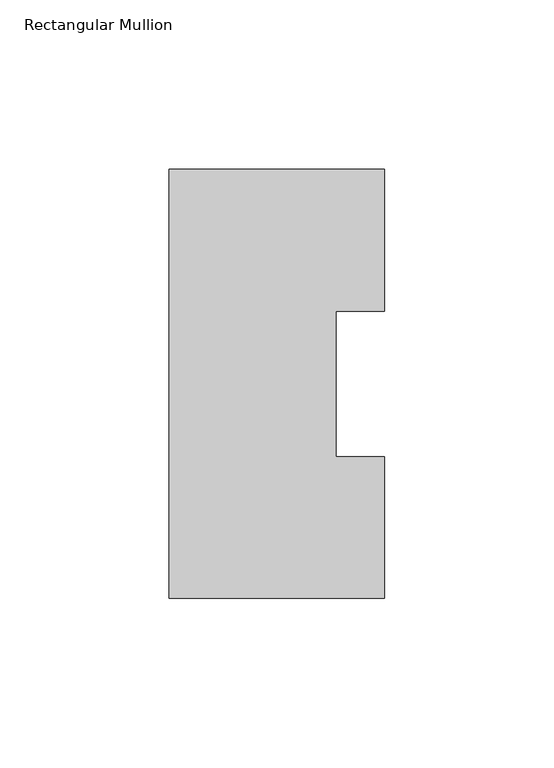
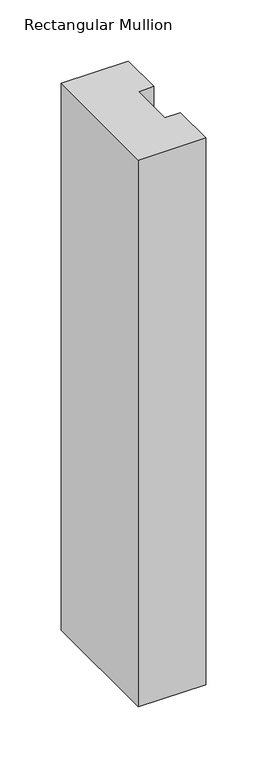
"""IFC4 building model written with IfcOpenShell, lengths in millimetres: member geometry, Rectangular Mullion."""

import ifcopenshell
import ifcopenshell.guid

model = None  # the IFC model being written
_history = None  # IfcOwnerHistory: only IFC2X3 demands one
_inside = {}  # id of a spatial element -> (the spatial element, [elements in it])
_under = {}  # id of a project, library or spatial element -> (it, [spatial elements below it])
_declared = {}  # id of a project -> (the project, [libraries it declares])
_typed = {}  # id of a type object -> (the type object, [elements of that type])
_made_of = {}  # id of a material, layer set ... -> (it, [elements and type objects made of it])


def new_model(schema):
    """Start an empty IFC model of exactly this schema.

    Asked for "IFC4X3", IfcOpenShell would pick the latest addendum, in which some entities
    have other attributes; the version numbers below select the first issue.
    IFC2X3 requires an IfcOwnerHistory on every rooted entity: one is made here for all.
    """
    global model, _history
    if schema == "IFC4X3":
        model = ifcopenshell.file(schema_version=(4, 3, 0, 0))
    else:
        model = ifcopenshell.file(schema=schema)
    _inside.clear()
    _under.clear()
    _declared.clear()
    _typed.clear()
    _made_of.clear()
    _history = None
    if model.schema == "IFC2X3":
        org = make("IfcOrganization", Name="unknown")
        user = make(
            "IfcPersonAndOrganization",
            ThePerson=make("IfcPerson", FamilyName="unknown"),
            TheOrganization=org,
        )
        app = make(
            "IfcApplication",
            ApplicationDeveloper=org,
            Version="unknown",
            ApplicationFullName="unknown",
            ApplicationIdentifier="unknown",
        )
        _history = make(
            "IfcOwnerHistory",
            OwningUser=user,
            OwningApplication=app,
            ChangeAction="ADDED",
            CreationDate=0,
        )
    return model


def make(cls, **values):
    """One entity of the class cls with the attributes given. An attribute that is None is left unset."""
    return model.create_entity(
        cls, **{name: value for name, value in values.items() if value is not None}
    )


def rooted(cls, **values):
    """An entity with a GlobalId (a new one), such as an element, a storey or a relation."""
    return make(cls, GlobalId=ifcopenshell.guid.new(), OwnerHistory=_history, **values)


def si_unit(unit_type, name, prefix=None):
    """IfcSIUnit, for example si_unit("LENGTHUNIT", "METRE", prefix="MILLI")."""
    return make("IfcSIUnit", UnitType=unit_type, Prefix=prefix, Name=name)


def assignment(units):
    """IfcUnitAssignment: the units of a project."""
    return None if units is None else make("IfcUnitAssignment", Units=units)


def point(xyz):
    """IfcCartesianPoint."""
    return None if xyz is None else make("IfcCartesianPoint", Coordinates=xyz)


def direction(xyz):
    """IfcDirection."""
    return None if xyz is None else make("IfcDirection", DirectionRatios=xyz)


def frame(location, z_axis=None, x_axis=None):
    """IfcAxis2Placement3D, a coordinate frame: its origin and axes. An axis left out is left unset."""
    return make(
        "IfcAxis2Placement3D",
        Location=point(location),
        Axis=direction(z_axis),
        RefDirection=direction(x_axis),
    )


def origin():
    """The frame at (0, 0, 0) with its axes left unset."""
    return frame((0.0, 0.0, 0.0))


def place(relative_to, where):
    """IfcLocalPlacement: puts the frame where relative to a parent placement (None: the world)."""
    return make(
        "IfcLocalPlacement", PlacementRelTo=relative_to, RelativePlacement=where
    )


def context(
    kind, dimensions, precision=None, world=None, true_north=None, identifier=None
):
    """IfcGeometricRepresentationContext, for example the 3D "Model" context."""
    return make(
        "IfcGeometricRepresentationContext",
        ContextIdentifier=identifier,
        ContextType=kind,
        CoordinateSpaceDimension=dimensions,
        Precision=precision,
        WorldCoordinateSystem=world,
        TrueNorth=true_north,
    )


def project(units=None, contexts=None):
    """IfcProject with its units and contexts."""
    return rooted(
        "IfcProject",
        Name="project",
        RepresentationContexts=contexts,
        UnitsInContext=assignment(units),
    )


def spatial(cls, under=None, at=None, **own):
    """A site, building, storey or space (cls), placed at a placement, below another one or the project."""
    s = rooted(cls, ObjectPlacement=at, **own)
    if under is not None:
        _under.setdefault(under.id(), (under, []))[1].append(s)
    return s


def polyline(points):
    """IfcPolyline through the points."""
    return make("IfcPolyline", Points=[point(p) for p in points])


def outline(outer, holes=None, kind="AREA"):
    """IfcArbitraryClosedProfileDef: a profile drawn as a closed curve; with holes, ...WithVoids."""
    if holes is None:
        return make("IfcArbitraryClosedProfileDef", ProfileType=kind, OuterCurve=outer)
    return make(
        "IfcArbitraryProfileDefWithVoids",
        ProfileType=kind,
        OuterCurve=outer,
        InnerCurves=holes,
    )


def extrude(swept, where, along, depth):
    """IfcExtrudedAreaSolid: the profile swept, set in the frame where, extruded along a direction by depth."""
    return make(
        "IfcExtrudedAreaSolid",
        SweptArea=swept,
        Position=where,
        ExtrudedDirection=direction(along),
        Depth=depth,
    )


def shape(context_of_items, identifier, shape_type, items):
    """IfcShapeRepresentation: the items that make up one representation, for example the "Body"."""
    return make(
        "IfcShapeRepresentation",
        ContextOfItems=context_of_items,
        RepresentationIdentifier=identifier,
        RepresentationType=shape_type,
        Items=items,
    )


def source(mapping_origin, context_of_items, identifier, shape_type, items):
    """IfcRepresentationMap: a shape defined once, which mapped items show again and again."""
    return make(
        "IfcRepresentationMap",
        MappingOrigin=mapping_origin,
        MappedRepresentation=shape(context_of_items, identifier, shape_type, items),
    )


def transform(
    local_origin,
    x_axis=None,
    y_axis=None,
    z_axis=None,
    scale=None,
    scale2=None,
    scale3=None,
    uniform=True,
):
    """IfcCartesianTransformationOperator3D, or its non-uniform kind. x_axis, y_axis, z_axis: its Axis1, 2, 3."""
    if uniform:
        return make(
            "IfcCartesianTransformationOperator3D",
            Axis1=direction(x_axis),
            Axis2=direction(y_axis),
            LocalOrigin=point(local_origin),
            Scale=scale,
            Axis3=direction(z_axis),
        )
    return make(
        "IfcCartesianTransformationOperator3DnonUniform",
        Axis1=direction(x_axis),
        Axis2=direction(y_axis),
        LocalOrigin=point(local_origin),
        Scale=scale,
        Axis3=direction(z_axis),
        Scale2=scale2,
        Scale3=scale3,
    )


def mapped(mapping_source, mapping_target):
    """IfcMappedItem: shows the shape of a source again, moved by a transform."""
    return make(
        "IfcMappedItem", MappingSource=mapping_source, MappingTarget=mapping_target
    )


def made_of(thing, what):
    """Note that an element or type object is made of a material, layer set ...; save() writes the relation."""
    if what is not None:
        _made_of.setdefault(what.id(), (what, []))[1].append(thing)
    return thing


def element(
    cls,
    number,
    at=None,
    inside=None,
    cuts=None,
    type_object=None,
    material=None,
    context=None,
    identifier="Body",
    shape_type=None,
    held_by="IfcProductDefinitionShape",
    body=None,
    shapes=None,
    **own,
):
    """One element of the class cls, such as IfcWall. Its Tag is "e" and its number.

    at: its placement. inside: the storey or other place that contains it. cuts: it is an
    opening in that element (IfcRelVoidsElement). A single representation is given by context,
    identifier, shape_type and body (its items); several are given by shapes. held_by: the class
    of the entity that holds the representations. save() writes the other relations.
    """
    e = rooted(cls, Tag="e%d" % number, ObjectPlacement=at, **own)
    if body is not None:
        shapes = [shape(context, identifier, shape_type, body)]
    if shapes is not None:
        e.Representation = make(held_by, Representations=shapes)
    if inside is not None:
        _inside.setdefault(inside.id(), (inside, []))[1].append(e)
    if cuts is not None:
        rooted(
            "IfcRelVoidsElement", RelatingBuildingElement=cuts, RelatedOpeningElement=e
        )
    if type_object is not None:
        _typed.setdefault(type_object.id(), (type_object, []))[1].append(e)
    return made_of(e, material)


def aggregate(whole, parts):
    """IfcRelAggregates: a whole, such as a stair, and the parts it consists of."""
    return rooted("IfcRelAggregates", RelatingObject=whole, RelatedObjects=parts)


def save(model, path):
    """Write the relations noted so far, then the file.

    IfcRelAggregates (storeys below a building ...), IfcRelContainedInSpatialStructure (elements
    in a storey), IfcRelDefinesByType, IfcRelAssociatesMaterial and IfcRelDeclares: one each for
    every whole, place, type object, material and project.
    """
    for whole, parts in _under.values():
        aggregate(whole, parts)
    for where, things in _inside.values():
        rooted(
            "IfcRelContainedInSpatialStructure",
            RelatedElements=things,
            RelatingStructure=where,
        )
    for kind, things in _typed.values():
        rooted("IfcRelDefinesByType", RelatedObjects=things, RelatingType=kind)
    for what, things in _made_of.values():
        rooted("IfcRelAssociatesMaterial", RelatedObjects=things, RelatingMaterial=what)
    for by, libraries in _declared.values():
        rooted("IfcRelDeclares", RelatingContext=by, RelatedDefinitions=libraries)
    model.write(path)


def rectangular_mullion_71341567(model_context):
    return source(origin(), model_context, "Body", "SweptSolid", [
        extrude(outline(polyline([(-63.5, 126.75235), (0.0, 126.75235), (0.0, 84.93125), (-14.2875, 84.93125), (-14.2875, 42.0552837), (0.0, 42.0552837), (0.0, 0.26035), (-63.5, 0.26035), (-63.5, 126.75235)])), frame((0.0, 0.0, -546.1), z_axis=(0.0, 0.0, 1.0), x_axis=(1.0, 0.0, 0.0)), (0.0, 0.0, 1.0), 546.1),
    ])


if __name__ == "__main__":
    model = new_model("IFC4")
    model_context = context("Model", 3, world=origin())
    ifc_project = project(units=[si_unit("LENGTHUNIT", "METRE", prefix="MILLI")], contexts=[model_context])
    site = spatial("IfcSite", under=ifc_project)
    building = spatial("IfcBuilding", under=site)
    placement = place(None, origin())
    rectangular_mullion_shape = rectangular_mullion_71341567(model_context)
    element("IfcMember", 1, ObjectType="Rectangular Mullion", at=placement, inside=building, context=model_context, shape_type="MappedRepresentation", body=[
        mapped(rectangular_mullion_shape, transform((0.0, 0.0, 0.0), x_axis=(1.0, 0.0, 0.0), y_axis=(0.0, 1.0, 0.0), z_axis=(0.0, 0.0, 1.0))),
    ])
    save(model, "model.ifc")
